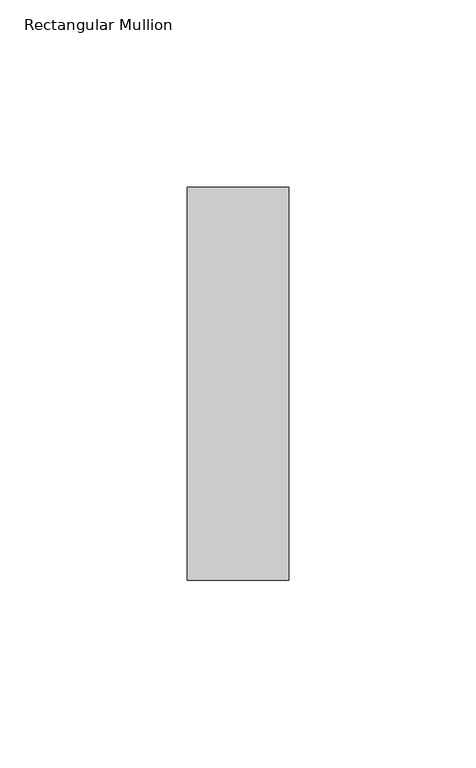
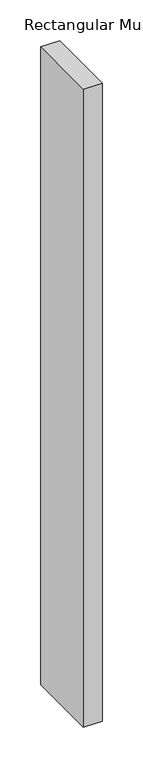
"""IFC4 building model written with IfcOpenShell, lengths in millimetres: member geometry, Rectangular Mullion."""

from ifc_helpers import new_model, si_unit, frame, origin, place, context, project, spatial, polyline, outline, extrude, source, transform, mapped, element, save


def rectangular_mullion_cf72aae5(model_context):
    return source(origin(), model_context, "Body", "SweptSolid", [
        extrude(outline(polyline([(0.0, 52.3975), (0.0, -52.3975), (-27.0, -52.3975), (-27.0, 52.3975), (0.0, 52.3975)])), frame((0.0, 0.0, -957.5), z_axis=(0.0, 0.0, 1.0), x_axis=(1.0, 0.0, 0.0)), (0.0, 0.0, 1.0), 957.5),
    ])


if __name__ == "__main__":
    model = new_model("IFC4")
    model_context = context("Model", 3, world=origin())
    ifc_project = project(units=[si_unit("LENGTHUNIT", "METRE", prefix="MILLI")], contexts=[model_context])
    site = spatial("IfcSite", under=ifc_project)
    building = spatial("IfcBuilding", under=site)
    placement = place(None, origin())
    rectangular_mullion_shape = rectangular_mullion_cf72aae5(model_context)
    element("IfcMember", 1, ObjectType="Rectangular Mullion", at=placement, inside=building, context=model_context, shape_type="MappedRepresentation", body=[
        mapped(rectangular_mullion_shape, transform((0.0, 0.0, 0.0), x_axis=(1.0, 0.0, 0.0), y_axis=(0.0, 1.0, 0.0), z_axis=(0.0, 0.0, 1.0))),
    ])
    save(model, "model.ifc")
